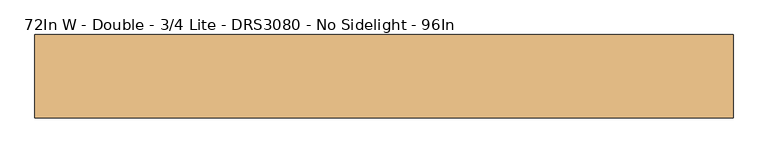
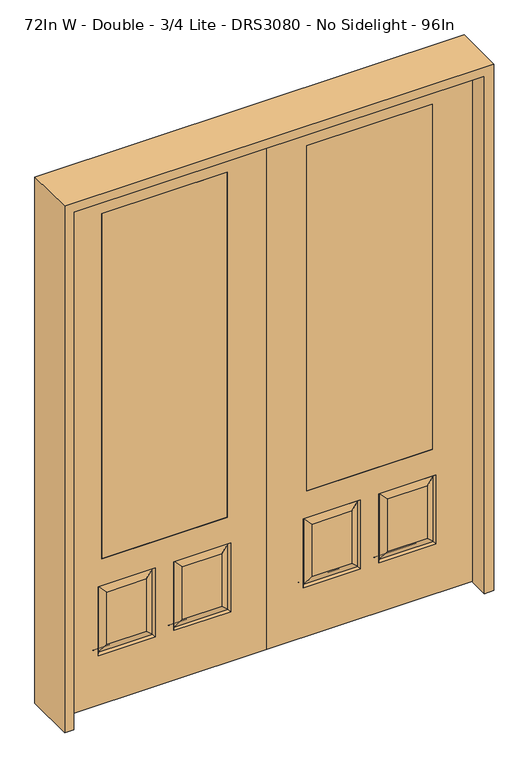
"""IFC4 building model written with IfcOpenShell, lengths in millimetres: door geometry, 72In W - Double - 3/4 Lite - DRS3080 - No Sidelight - 96In."""

from ifc_helpers import new_model, si_unit, frame, origin, place, context, project, spatial, polyline, outline, extrude, faceted_brep, source, transform, mapped, element, save


def door_72in_w_double_3_4_lite_drs3080_no_sidelight_96in_dc6e22a0(model_context):
    return source(origin(), model_context, "Body", "SolidModel", [
        faceted_brep([(177.8, -20.6375, 685.8), (177.8, 20.6375, 685.8), (177.8, 20.6375, 2311.4), (177.8, -20.6375, 2311.4), (736.6, -20.6375, 685.8), (736.6, 20.6375, 685.8), (537.3727627, -20.6375, 273.8477627), (713.5772373, -20.6375, 273.8477627), (713.5772373, -20.6375, 520.4102373), (537.3727627, -20.6375, 520.4102373), (200.8227627, -20.6375, 273.8477627), (377.0272373, -20.6375, 273.8477627), (377.0272373, -20.6375, 520.4102373), (200.8227627, -20.6375, 520.4102373), (914.4, -20.6375, 2438.4), (0.0, -20.6375, 2438.4), (0.0, -20.6375, 0.0), (914.4, -20.6375, 0.0), (736.6, -20.6375, 2311.4), (752.475, -20.6375, 234.95), (498.475, -20.6375, 234.95), (498.475, -20.6375, 559.308), (752.475, -20.6375, 559.308), (415.925, -20.6375, 234.95), (161.925, -20.6375, 234.95), (161.925, -20.6375, 559.308), (415.925, -20.6375, 559.308), (736.6, 20.6375, 2311.4), (377.0272373, 20.6375, 273.8477627), (200.8227627, 20.6375, 273.8477627), (200.8227627, 20.6375, 520.4102373), (377.0272373, 20.6375, 520.4102373), (713.5772373, 20.6375, 273.8477627), (537.3727627, 20.6375, 273.8477627), (537.3727627, 20.6375, 520.4102373), (713.5772373, 20.6375, 520.4102373), (0.0, 20.6375, 2438.4), (914.4, 20.6375, 2438.4), (914.4, 20.6375, 0.0), (0.0, 20.6375, 0.0), (161.925, 20.6375, 234.95), (415.925, 20.6375, 234.95), (415.925, 20.6375, 559.308), (161.925, 20.6375, 559.308), (498.475, 20.6375, 234.95), (752.475, 20.6375, 234.95), (752.475, 20.6375, 559.308), (498.475, 20.6375, 559.308), (745.0714647, -11.4399763, 242.3535353), (505.8785353, -11.4399763, 242.3535353), (505.8785353, -11.4399763, 551.9044647), (745.0714647, -11.4399763, 551.9044647), (408.5214647, -11.4399763, 242.3535353), (169.3285353, -11.4399763, 242.3535353), (169.3285353, -11.4399763, 551.9044647), (408.5214647, -11.4399763, 551.9044647), (169.3285353, 11.4399763, 242.3535353), (408.5214647, 11.4399763, 242.3535353), (408.5214647, 11.4399763, 551.9044647), (169.3285353, 11.4399763, 551.9044647), (505.8785353, 11.4399763, 242.3535353), (745.0714647, 11.4399763, 242.3535353), (745.0714647, 11.4399763, 551.9044647), (505.8785353, 11.4399763, 551.9044647)], [[[0, 1, 2, 3]], [[1, 0, 4, 5]], [[6, 7, 8, 9]], [[10, 11, 12, 13]], [[14, 15, 16, 17], [4, 0, 3, 18], [19, 20, 21, 22], [23, 24, 25, 26]], [[5, 4, 18, 27]], [[28, 29, 30, 31]], [[32, 33, 34, 35]], [[36, 37, 38, 39], [1, 5, 27, 2], [40, 41, 42, 43], [44, 45, 46, 47]], [[39, 38, 17, 16]], [[37, 14, 17, 38]], [[15, 36, 39, 16]], [[19, 48, 49, 20]], [[20, 49, 50, 21]], [[51, 22, 21, 50]], [[48, 19, 22, 51]], [[49, 48, 7, 6]], [[7, 48, 51, 8]], [[8, 51, 50, 9]], [[49, 6, 9, 50]], [[52, 53, 24, 23]], [[24, 53, 54, 25]], [[25, 54, 55, 26]], [[52, 23, 26, 55]], [[53, 52, 11, 10]], [[11, 52, 55, 12]], [[54, 13, 12, 55]], [[53, 10, 13, 54]], [[40, 56, 57, 41]], [[41, 57, 58, 42]], [[59, 43, 42, 58]], [[56, 40, 43, 59]], [[57, 56, 29, 28]], [[29, 56, 59, 30]], [[30, 59, 58, 31]], [[57, 28, 31, 58]], [[60, 61, 45, 44]], [[45, 61, 62, 46]], [[46, 62, 63, 47]], [[60, 44, 47, 63]], [[61, 60, 33, 32]], [[33, 60, 63, 34]], [[62, 35, 34, 63]], [[61, 32, 35, 62]], [[3, 2, 27, 18]], [[36, 15, 14, 37]]]),
        extrude(outline(polyline([(177.8, 20.6375), (736.6, 20.6375), (736.6, -20.6375), (177.8, -20.6375), (177.8, 20.6375)])), frame((0.0, 0.0, 685.8), z_axis=(0.0, 0.0, 1.0), x_axis=(1.0, 0.0, 0.0)), (0.0, 0.0, 1.0), 1625.6),
        faceted_brep([(-177.8, -20.6375, 685.8), (-177.8, -20.6375, 2311.4), (-177.8, 20.6375, 2311.4), (-177.8, 20.6375, 685.8), (-736.6, 20.6375, 685.8), (-736.6, -20.6375, 685.8), (-537.3727627, -20.6375, 273.8477627), (-537.3727627, -20.6375, 520.4102373), (-713.5772373, -20.6375, 520.4102373), (-713.5772373, -20.6375, 273.8477627), (-200.8227627, -20.6375, 273.8477627), (-200.8227627, -20.6375, 520.4102373), (-377.0272373, -20.6375, 520.4102373), (-377.0272373, -20.6375, 273.8477627), (-914.4, -20.6375, 2438.4), (-914.4, -20.6375, 0.0), (0.0, -20.6375, 0.0), (0.0, -20.6375, 2438.4), (-736.6, -20.6375, 2311.4), (-752.475, -20.6375, 234.95), (-752.475, -20.6375, 559.308), (-498.475, -20.6375, 559.308), (-498.475, -20.6375, 234.95), (-415.925, -20.6375, 234.95), (-415.925, -20.6375, 559.308), (-161.925, -20.6375, 559.308), (-161.925, -20.6375, 234.95), (-736.6, 20.6375, 2311.4), (-377.0272373, 20.6375, 273.8477627), (-377.0272373, 20.6375, 520.4102373), (-200.8227627, 20.6375, 520.4102373), (-200.8227627, 20.6375, 273.8477627), (-713.5772373, 20.6375, 273.8477627), (-713.5772373, 20.6375, 520.4102373), (-537.3727627, 20.6375, 520.4102373), (-537.3727627, 20.6375, 273.8477627), (0.0, 20.6375, 2438.4), (0.0, 20.6375, 0.0), (-914.4, 20.6375, 0.0), (-914.4, 20.6375, 2438.4), (-161.925, 20.6375, 234.95), (-161.925, 20.6375, 559.308), (-415.925, 20.6375, 559.308), (-415.925, 20.6375, 234.95), (-498.475, 20.6375, 234.95), (-498.475, 20.6375, 559.308), (-752.475, 20.6375, 559.308), (-752.475, 20.6375, 234.95), (-505.8785353, -11.4399763, 242.3535353), (-745.0714647, -11.4399763, 242.3535353), (-505.8785353, -11.4399763, 551.9044647), (-745.0714647, -11.4399763, 551.9044647), (-408.5214647, -11.4399763, 242.3535353), (-169.3285353, -11.4399763, 242.3535353), (-169.3285353, -11.4399763, 551.9044647), (-408.5214647, -11.4399763, 551.9044647), (-408.5214647, 11.4399763, 242.3535353), (-169.3285353, 11.4399763, 242.3535353), (-408.5214647, 11.4399763, 551.9044647), (-169.3285353, 11.4399763, 551.9044647), (-505.8785353, 11.4399763, 242.3535353), (-745.0714647, 11.4399763, 242.3535353), (-745.0714647, 11.4399763, 551.9044647), (-505.8785353, 11.4399763, 551.9044647)], [[[0, 1, 2, 3]], [[3, 4, 5, 0]], [[6, 7, 8, 9]], [[10, 11, 12, 13]], [[14, 15, 16, 17], [5, 18, 1, 0], [19, 20, 21, 22], [23, 24, 25, 26]], [[4, 27, 18, 5]], [[28, 29, 30, 31]], [[32, 33, 34, 35]], [[36, 37, 38, 39], [3, 2, 27, 4], [40, 41, 42, 43], [44, 45, 46, 47]], [[37, 16, 15, 38]], [[39, 38, 15, 14]], [[17, 16, 37, 36]], [[19, 22, 48, 49]], [[22, 21, 50, 48]], [[51, 50, 21, 20]], [[49, 51, 20, 19]], [[48, 6, 9, 49]], [[9, 8, 51, 49]], [[8, 7, 50, 51]], [[48, 50, 7, 6]], [[52, 23, 26, 53]], [[26, 25, 54, 53]], [[25, 24, 55, 54]], [[52, 55, 24, 23]], [[53, 10, 13, 52]], [[13, 12, 55, 52]], [[54, 55, 12, 11]], [[53, 54, 11, 10]], [[40, 43, 56, 57]], [[43, 42, 58, 56]], [[59, 58, 42, 41]], [[57, 59, 41, 40]], [[56, 28, 31, 57]], [[31, 30, 59, 57]], [[30, 29, 58, 59]], [[56, 58, 29, 28]], [[60, 44, 47, 61]], [[47, 46, 62, 61]], [[46, 45, 63, 62]], [[60, 63, 45, 44]], [[61, 32, 35, 60]], [[35, 34, 63, 60]], [[62, 63, 34, 33]], [[61, 62, 33, 32]], [[1, 18, 27, 2]], [[36, 39, 14, 17]]]),
        extrude(outline(polyline([(-177.8, 20.6375), (-177.8, -20.6375), (-736.6, -20.6375), (-736.6, 20.6375), (-177.8, 20.6375)])), frame((0.0, 0.0, 685.8), z_axis=(0.0, 0.0, 1.0), x_axis=(1.0, 0.0, 0.0)), (0.0, 0.0, 1.0), 1625.6),
        extrude(outline(polyline([(2479.675, -955.675), (0.0, -955.675), (0.0, -914.4), (2438.4, -914.4), (2438.4, 914.4), (0.0, 914.4), (0.0, 955.675), (2479.675, 955.675), (2479.675, -955.675)])), frame((0.0, -114.3, 0.0), z_axis=(0.0, 1.0, 0.0), x_axis=(0.0, 0.0, 1.0)), (0.0, 0.0, 1.0), 228.6),
    ])


if __name__ == "__main__":
    model = new_model("IFC4")
    model_context = context("Model", 3, world=origin())
    ifc_project = project(units=[si_unit("LENGTHUNIT", "METRE", prefix="MILLI")], contexts=[model_context])
    site = spatial("IfcSite", under=ifc_project)
    building = spatial("IfcBuilding", under=site)
    placement = place(None, origin())
    door_72in_w_double_3_4_lite_drs3080_no_sidelight_96in_shape = door_72in_w_double_3_4_lite_drs3080_no_sidelight_96in_dc6e22a0(model_context)
    element("IfcDoor", 1, ObjectType="72In W - Double - 3/4 Lite - DRS3080 - No Sidelight - 96In", at=placement, inside=building, context=model_context, shape_type="MappedRepresentation", body=[
        mapped(door_72in_w_double_3_4_lite_drs3080_no_sidelight_96in_shape, transform((0.0, 0.0, 0.0), x_axis=(1.0, 0.0, 0.0), y_axis=(0.0, 1.0, 0.0), z_axis=(0.0, 0.0, 1.0))),
    ])
    save(model, "model.ifc")
